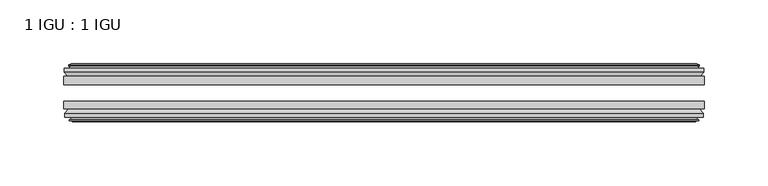
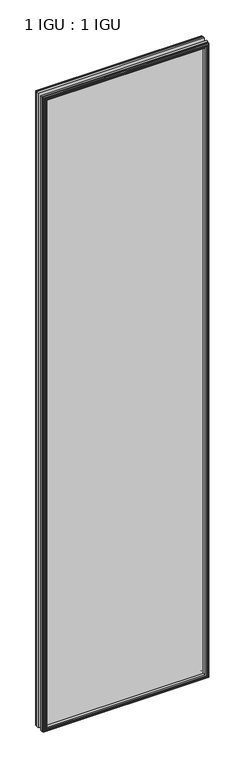
"""IFC4 building model written with IfcOpenShell, lengths in millimetres: plate geometry, 1 IGU : 1 IGU."""

from ifc_helpers import new_model, si_unit, frame, origin, place, context, project, spatial, polyline, outline, extrude, faceted_brep, source, transform, mapped, element, save


def plate_1_igu_1_igu_421d9e81(model_context):
    return source(origin(), model_context, "Body", "SolidModel", [
        extrude(outline(polyline([(250.2044134, -25.8960937), (250.2044134, -32.2460938), (-250.2044134, -32.2460938), (-250.2044134, -25.8960937), (250.2044134, -25.8960937)])), frame((0.0, 0.0, -12.7), z_axis=(0.0, 0.0, 1.0), x_axis=(1.0, 0.0, 0.0)), (0.0, 0.0, 1.0), 2019.3),
        extrude(outline(polyline([(-250.2044134, -51.2960938), (-250.2044134, -45.2686737), (250.2044134, -45.2686737), (250.2044134, -51.2960938), (-250.2044134, -51.2960938)])), frame((0.0, 0.0, -12.7), z_axis=(0.0, 0.0, 1.0), x_axis=(1.0, 0.0, 0.0)), (0.0, 0.0, 1.0), 2019.3),
        faceted_brep([(-244.6164134, -60.0262907, 2001.012), (-244.9974134, -57.6460937, 2001.393), (-244.9974134, -57.6460937, -7.493), (-244.6164134, -60.0262907, -7.112), (-246.0319424, -59.5663575, 2002.4275291), (-246.0319424, -59.5663575, -8.5275291), (-246.0319424, -60.3675717, 2002.4275291), (-246.0319424, -60.3675717, -8.5275291), (-243.8544134, -61.0750937, 2000.25), (-243.8544134, -61.0750937, -6.35), (-241.6768843, -60.3675717, 1998.072471), (-241.6768843, -60.3675717, -4.1724709), (-241.6768843, -59.5663575, 1998.072471), (-241.6768843, -59.5663575, -4.1724709), (-243.0924134, -60.0262907, 1999.488), (-243.0924134, -60.0262907, -5.588), (-242.7114134, -57.6460937, 1999.107), (-242.7114134, -57.6460937, -5.207), (-235.7866953, -51.2960937, 1992.1822819), (-237.5044134, -57.6460937, 1993.9), (-237.5044134, -57.6460937, 0.0), (-235.7866953, -51.2960937, 1.7177181), (-249.4424134, -54.6996937, 2005.838), (-246.6080712, -51.2960937, 2003.0036578), (-246.6080712, -51.2960937, -9.1036578), (-249.4424134, -54.6996937, -11.938), (-249.4424134, -57.6460937, 2005.838), (-249.4424134, -57.6460937, -11.938), (244.9974134, -57.6460938, -7.493), (244.6164134, -60.0262907, -7.112), (246.0319424, -59.5663575, -8.5275291), (246.0319424, -60.3675717, -8.5275291), (243.8544134, -61.0750937, -6.35), (241.6768843, -60.3675717, -4.1724709), (241.6768843, -59.5663575, -4.1724709), (243.0924134, -60.0262907, -5.588), (242.7114134, -57.6460937, -5.207), (237.5044134, -57.6460937, 0.0), (235.7866953, -51.2960937, 1.7177181), (246.6080712, -51.2960937, -9.1036578), (249.4424134, -54.6996937, -11.938), (249.4424134, -57.6460938, -11.938), (244.9974134, -57.6460938, 2001.393), (244.6164134, -60.0262907, 2001.012), (246.0319424, -59.5663575, 2002.4275291), (246.0319424, -60.3675717, 2002.4275291), (243.8544134, -61.0750937, 2000.25), (241.6768843, -60.3675717, 1998.072471), (241.6768843, -59.5663575, 1998.072471), (243.0924134, -60.0262907, 1999.488), (242.7114134, -57.6460937, 1999.107), (237.5044134, -57.6460937, 1993.9), (235.7866953, -51.2960937, 1992.1822819), (246.6080712, -51.2960937, 2003.0036578), (249.4424134, -54.6996937, 2005.838), (249.4424134, -57.6460938, 2005.838)], [[[0, 1, 2, 3]], [[4, 0, 3, 5]], [[6, 4, 5, 7]], [[8, 6, 7, 9]], [[10, 8, 9, 11]], [[12, 10, 11, 13]], [[14, 12, 13, 15]], [[16, 14, 15, 17]], [[18, 19, 20, 21]], [[22, 23, 24, 25]], [[26, 22, 25, 27]], [[3, 2, 28, 29]], [[5, 3, 29, 30]], [[7, 5, 30, 31]], [[9, 7, 31, 32]], [[11, 9, 32, 33]], [[13, 11, 33, 34]], [[15, 13, 34, 35]], [[17, 15, 35, 36]], [[21, 20, 37, 38]], [[25, 24, 39, 40]], [[27, 25, 40, 41]], [[29, 28, 42, 43]], [[30, 29, 43, 44]], [[31, 30, 44, 45]], [[32, 31, 45, 46]], [[33, 32, 46, 47]], [[34, 33, 47, 48]], [[35, 34, 48, 49]], [[36, 35, 49, 50]], [[38, 37, 51, 52]], [[40, 39, 53, 54]], [[41, 40, 54, 55]], [[27, 41, 55, 26], [1, 42, 28, 2]], [[43, 42, 1, 0]], [[44, 43, 0, 4]], [[45, 44, 4, 6]], [[46, 45, 6, 8]], [[47, 46, 8, 10]], [[48, 47, 10, 12]], [[49, 48, 12, 14]], [[50, 49, 14, 16]], [[17, 36, 50, 16], [19, 51, 37, 20]], [[52, 51, 19, 18]], [[23, 53, 39, 24], [21, 38, 52, 18]], [[54, 53, 23, 22]], [[55, 54, 22, 26]]]),
        faceted_brep([(-247.1287712, -25.8960937, 2003.5243578), (-249.9631134, -22.4924937, 2006.3587), (-249.9631134, -22.4924937, -12.4587), (-247.1287712, -25.8960937, -9.6243578), (-238.0251134, -19.5460937, 1994.4207), (-236.3073953, -25.8960937, 1992.7029819), (-236.3073953, -25.8960937, 1.1970181), (-238.0251134, -19.5460937, -0.5207), (-243.6131134, -17.1658968, 2000.0087), (-243.2321134, -19.5460937, 1999.6277), (-243.2321134, -19.5460937, -5.7277), (-243.6131134, -17.1658968, -6.1087), (-242.1975843, -17.62583, 1998.593171), (-242.1975843, -17.62583, -4.6931709), (-242.1975843, -16.8246158, 1998.593171), (-242.1975843, -16.8246158, -4.6931709), (-244.3751134, -16.1170937, 2000.7707), (-244.3751134, -16.1170937, -6.8707), (-246.5526424, -16.8246158, 2002.9482291), (-246.5526424, -16.8246158, -9.0482291), (-246.5526424, -17.62583, 2002.9482291), (-246.5526424, -17.62583, -9.0482291), (-245.1371134, -17.1658968, 2001.5327), (-245.1371134, -17.1658968, -7.6327), (-245.5181134, -19.5460937, 2001.9137), (-245.5181134, -19.5460937, -8.0137), (-249.9631134, -19.5460937, 2006.3587), (-249.9631134, -19.5460937, -12.4587), (249.9631134, -22.4924937, -12.4587), (247.1287712, -25.8960937, -9.6243578), (236.3073953, -25.8960937, 1.1970181), (238.0251134, -19.5460937, -0.5207), (243.2321134, -19.5460937, -5.7277), (243.6131134, -17.1658968, -6.1087), (242.1975843, -17.62583, -4.6931709), (242.1975843, -16.8246158, -4.6931709), (244.3751134, -16.1170937, -6.8707), (246.5526424, -16.8246158, -9.0482291), (246.5526424, -17.62583, -9.0482291), (245.1371134, -17.1658968, -7.6327), (245.5181134, -19.5460937, -8.0137), (249.9631134, -19.5460937, -12.4587), (249.9631134, -22.4924937, 2006.3587), (247.1287712, -25.8960937, 2003.5243578), (236.3073953, -25.8960937, 1992.7029819), (238.0251134, -19.5460937, 1994.4207), (243.2321134, -19.5460937, 1999.6277), (243.6131134, -17.1658968, 2000.0087), (242.1975843, -17.62583, 1998.593171), (242.1975843, -16.8246158, 1998.593171), (244.3751134, -16.1170937, 2000.7707), (246.5526424, -16.8246158, 2002.9482291), (246.5526424, -17.62583, 2002.9482291), (245.1371134, -17.1658968, 2001.5327), (245.5181134, -19.5460937, 2001.9137), (249.9631134, -19.5460937, 2006.3587)], [[[0, 1, 2, 3]], [[4, 5, 6, 7]], [[8, 9, 10, 11]], [[12, 8, 11, 13]], [[14, 12, 13, 15]], [[16, 14, 15, 17]], [[18, 16, 17, 19]], [[20, 18, 19, 21]], [[22, 20, 21, 23]], [[24, 22, 23, 25]], [[1, 26, 27, 2]], [[3, 2, 28, 29]], [[7, 6, 30, 31]], [[11, 10, 32, 33]], [[13, 11, 33, 34]], [[15, 13, 34, 35]], [[17, 15, 35, 36]], [[19, 17, 36, 37]], [[21, 19, 37, 38]], [[23, 21, 38, 39]], [[25, 23, 39, 40]], [[2, 27, 41, 28]], [[29, 28, 42, 43]], [[31, 30, 44, 45]], [[33, 32, 46, 47]], [[34, 33, 47, 48]], [[35, 34, 48, 49]], [[36, 35, 49, 50]], [[37, 36, 50, 51]], [[38, 37, 51, 52]], [[39, 38, 52, 53]], [[40, 39, 53, 54]], [[28, 41, 55, 42]], [[43, 42, 1, 0]], [[3, 29, 43, 0], [5, 44, 30, 6]], [[45, 44, 5, 4]], [[9, 46, 32, 10], [7, 31, 45, 4]], [[47, 46, 9, 8]], [[48, 47, 8, 12]], [[49, 48, 12, 14]], [[50, 49, 14, 16]], [[51, 50, 16, 18]], [[52, 51, 18, 20]], [[53, 52, 20, 22]], [[54, 53, 22, 24]], [[26, 55, 41, 27], [25, 40, 54, 24]], [[42, 55, 26, 1]]]),
    ])


if __name__ == "__main__":
    model = new_model("IFC4")
    model_context = context("Model", 3, world=origin())
    ifc_project = project(units=[si_unit("LENGTHUNIT", "METRE", prefix="MILLI")], contexts=[model_context])
    site = spatial("IfcSite", under=ifc_project)
    building = spatial("IfcBuilding", under=site)
    placement = place(None, origin())
    plate_1_igu_1_igu_shape = plate_1_igu_1_igu_421d9e81(model_context)
    element("IfcPlate", 1, ObjectType="1 IGU : 1 IGU", at=placement, inside=building, context=model_context, shape_type="MappedRepresentation", body=[
        mapped(plate_1_igu_1_igu_shape, transform((0.0, 0.0, 0.0), x_axis=(1.0, 0.0, 0.0), y_axis=(0.0, 1.0, 0.0), z_axis=(0.0, 0.0, 1.0))),
    ])
    save(model, "model.ifc")
